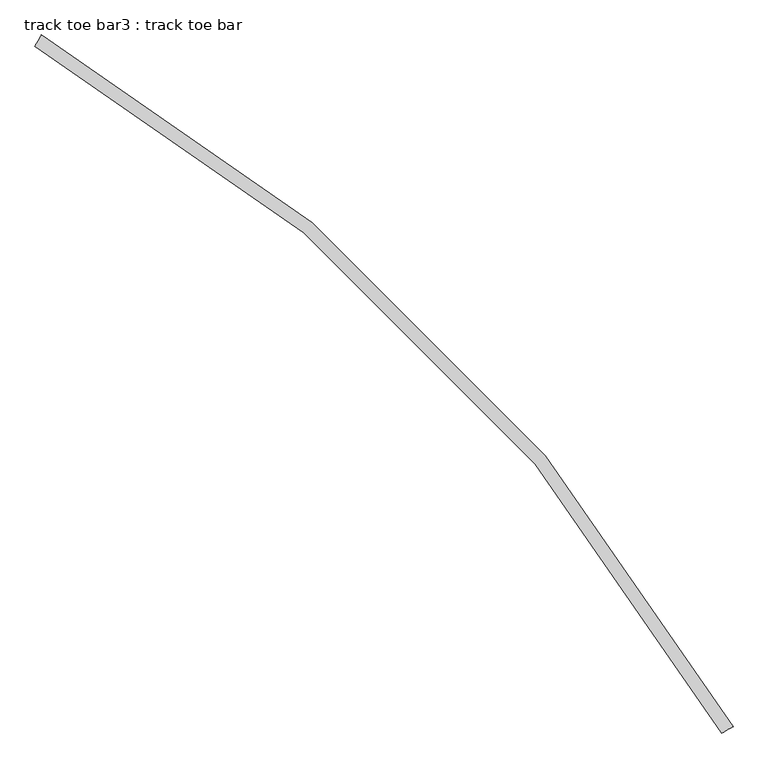
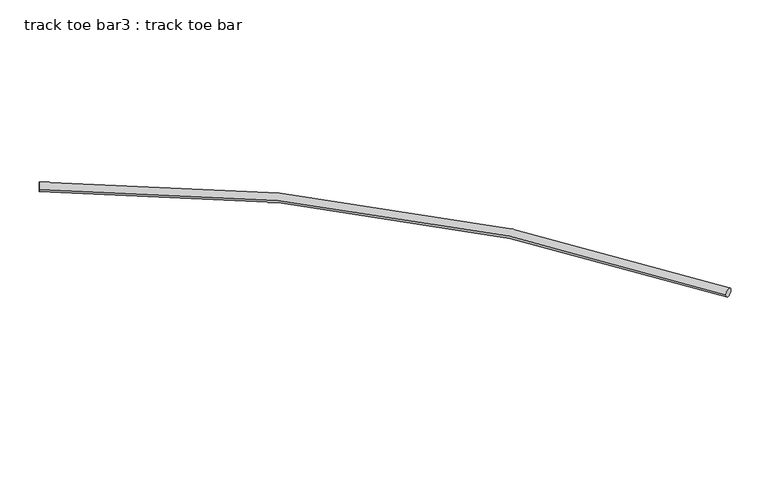
"""IFC4 building model written with IfcOpenShell, lengths in millimetres: proxy geometry, track toe bar3 : track toe bar."""

from ifc_helpers import new_model, si_unit, point, frame, origin, place, context, project, spatial, circle_curve, ellipse_curve, trimmed, source, transform, mapped, element, save
from ifc_brep_helpers import plane_surface, revolved_surface, advanced_brep


def track_toe_bar3_track_toe_bar_5040c9c7(model_context):
    return source(origin(), model_context, "Body", "AdvancedBrep", [
        advanced_brep(
        [(572531.1977689, -254708.1429059, 4855.8150744), (572464.9385812, -254745.774808, 4855.8150744), (568528.1490102, -250705.0941472, 4855.8150744), (568490.5171081, -250771.3533348, 4855.8150744)],
        [
            (0, 1, circle_curve(frame((572498.0681751, -254726.9588569, 4855.8150744), z_axis=(0.493856982949602, -0.8695431446408605, 0.0), x_axis=(-0.8695431446408605, -0.493856982949602, 0.0)), 38.1)),
            (1, 0, circle_curve(frame((572498.0681751, -254726.9588569, 4855.8150744), z_axis=(0.493856982949602, -0.8695431446408605, 0.0), x_axis=(-0.8695431446408605, -0.493856982949602, 0.0)), 38.1)),
            (2, 3, circle_curve(frame((568509.3330591, -250738.223741, 4855.8150744), z_axis=(-0.8695431446408337, 0.49385698294964936, 0.0), x_axis=(-0.49385698294964936, -0.8695431446408337, 0.0)), 38.1)),
            (3, 2, circle_curve(frame((568509.3330591, -250738.223741, 4855.8150744), z_axis=(-0.8695431446408337, 0.49385698294964936, 0.0), x_axis=(-0.49385698294964936, -0.8695431446408337, 0.0)), 38.1)),
            (3, 1, circle_curve(frame((563265.9546997, -259970.3372163, 4855.8150744), z_axis=(0.0, 0.0, -1.0), x_axis=(0.8695431446408605, 0.493856982949602, 0.0)), 10579.1)),
            (0, 2, circle_curve(frame((563265.9546997, -259970.3372163, 4855.8150744), z_axis=(0.0, 0.0, 1.0), x_axis=(0.8695431446408605, 0.493856982949602, 0.0)), 10655.3)),
        ],
        [
            plane_surface(frame((572498.0681751, -254726.9588569, 4927.6), z_axis=(0.49385698294960206, -0.8695431446408606, 0.0), x_axis=(0.0, 0.0, 1.0))),
            plane_surface(frame((568509.3330591, -250738.223741, 4927.6), z_axis=(-0.8695431446408337, 0.4938569829496494, 0.0), x_axis=(0.0, 0.0, 1.0))),
            revolved_surface(trimmed(ellipse_curve(frame((572498.0681751, -254726.9588569, 4855.8150744), z_axis=(0.493856982949602, -0.8695431446408605, 0.0), x_axis=(-0.8695431446408605, -0.493856982949602, 0.0)), 38.1, 38.1), [point((572531.1977689, -254708.1429059, 4855.8150744))], [point((572464.9385812, -254745.774808, 4855.8150744))], True, "CARTESIAN"), (563265.9546997, -259970.3372163, 4927.6), (0.0, 0.0, 1.0)),
            revolved_surface(trimmed(ellipse_curve(frame((572498.0681751, -254726.9588569, 4855.8150744), z_axis=(0.493856982949602, -0.8695431446408605, 0.0), x_axis=(-0.8695431446408605, -0.493856982949602, 0.0)), 38.1, 38.1), [point((572464.9385812, -254745.774808, 4855.8150744))], [point((572531.1977689, -254708.1429059, 4855.8150744))], True, "CARTESIAN"), (563265.9546997, -259970.3372163, 4927.6), (0.0, 0.0, 1.0)),
        ],
        [
            (0, [[1, 2]]),
            (1, [[3, 4]]),
            (2, [[5, -1, 6, -4]]),
            (3, [[-6, -2, -5, -3]]),
        ],
    ),
    ])


if __name__ == "__main__":
    model = new_model("IFC4")
    model_context = context("Model", 3, world=origin())
    ifc_project = project(units=[si_unit("LENGTHUNIT", "METRE", prefix="MILLI")], contexts=[model_context])
    site = spatial("IfcSite", under=ifc_project)
    building = spatial("IfcBuilding", under=site)
    placement = place(None, origin())
    track_toe_bar3_track_toe_bar_shape = track_toe_bar3_track_toe_bar_5040c9c7(model_context)
    element("IfcBuildingElementProxy", 1, Name="track toe bar3 : track toe bar", ObjectType="track toe bar3 : track toe bar", at=placement, inside=building, context=model_context, shape_type="MappedRepresentation", body=[
        mapped(track_toe_bar3_track_toe_bar_shape, transform((0.0, 0.0, 0.0), x_axis=(1.0, 0.0, 0.0), y_axis=(0.0, 1.0, 0.0), z_axis=(0.0, 0.0, 1.0))),
    ])
    save(model, "model.ifc")
